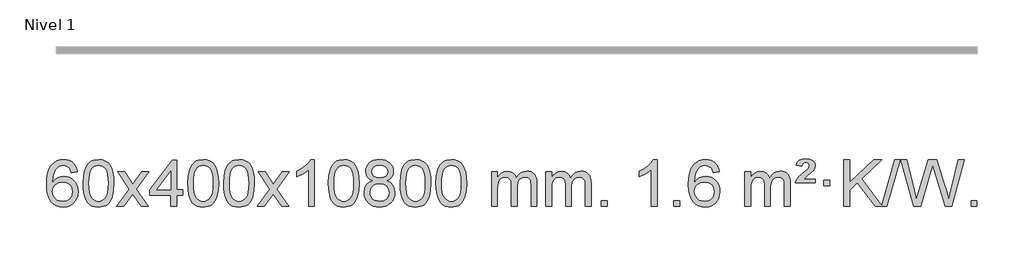
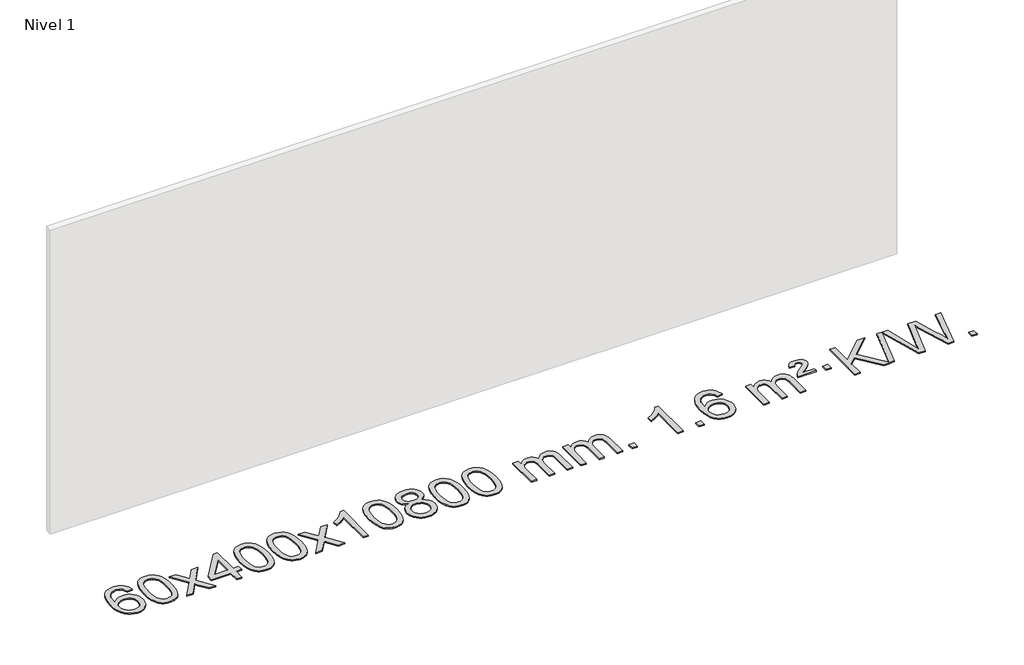
# One storey, part 4 of 21: 1 proxy.
"""IFC4 building model written with IfcOpenShell, lengths in millimetres."""

from ifc_helpers import new_model, si_unit, origin, origin_with_axes, place, context, project, spatial, polyline, outline, extrude, element, save

model = new_model("IFC4")

# Units and contexts
model_context = context("Model", 3, world=origin())
ifc_project = project(units=[si_unit("LENGTHUNIT", "METRE", prefix="MILLI")], contexts=[model_context])

# Site, building, storey
site = spatial("IfcSite", under=ifc_project)
building = spatial("IfcBuilding", under=site)
storey = spatial("IfcBuildingStorey", under=building, Name="Nivel 1", Elevation=0.0)

# Proxy
placement = place(None, origin())
element("IfcBuildingElementProxy", 1, Name="Texto de modelo 1", ObjectType="Texto de modelo 1", at=placement, inside=storey, context=model_context, shape_type="SweptSolid", body=[
    extrude(outline(polyline([(-12852.5741406, -3100.4890419), (-12902.8022957, -3106.7675613), (-12910.8956996, -3081.874213), (-12921.8340576, -3064.8780648), (-12944.6182158, -3049.2062918), (-12972.1603145, -3043.9823675), (-12995.5085585, -3047.0235253), (-13017.4833763, -3056.1469988), (-13036.3557227, -3075.3627017), (-13051.7699783, -3101.8134171), (-13062.1810387, -3139.227016), (-13066.0437997, -3191.3313693), (-13045.8961291, -3167.8237098), (-13021.7508075, -3151.2567573), (-12994.9567355, -3141.434308), (-12966.8628138, -3138.1601582), (-12942.7297549, -3140.398107), (-12920.4606315, -3147.1119534), (-12900.0554435, -3158.3016975), (-12881.5141909, -3173.9673391), (-12866.1060667, -3193.1769106), (-12855.1002637, -3214.9984443), (-12848.4967818, -3239.4319401), (-12846.2956212, -3266.4773982), (-12850.440425, -3302.4439945), (-12862.8748365, -3335.786366), (-12882.568786, -3364.0642287), (-12908.4922039, -3384.8372987), (-12939.4678679, -3397.602804), (-12974.3185556, -3401.8579724), (-13004.2610843, -3399.0375437), (-13031.3034766, -3390.5762579), (-13055.4457325, -3376.4741147), (-13076.6878521, -3356.7311143), (-13094.005897, -3330.5133908), (-13106.3759291, -3296.9870783), (-13113.7979483, -3256.1521768), (-13116.2719548, -3208.0086864), (-13113.5251025, -3154.0342663), (-13105.2845458, -3107.9693092), (-13091.5502847, -3069.8138149), (-13072.3223191, -3039.5677835), (-13051.481804, -3019.5243462), (-13027.3180883, -3005.2076052), (-12999.8311719, -2996.6175606), (-12969.0210548, -2993.7542124), (-12945.8874087, -2995.5261773), (-12924.9487918, -3000.8420722), (-12906.2052042, -3009.7018969), (-12889.6566457, -3022.1056515), (-12875.7507063, -3037.6364031), (-12864.9349757, -3055.8772186), (-12857.2094538, -3076.8280983), (-12852.5741406, -3100.4890419)]), holes=[polyline([(-13066.0437997, -3265.6925832), (-13063.1375319, -3287.9494439), (-13054.4187286, -3309.2007605), (-13040.8806712, -3327.472233), (-13023.516641, -3340.7895612), (-13002.5596301, -3348.9197533), (-12978.2426302, -3351.6298173), (-12945.0964624, -3346.0134855), (-12931.1813259, -3338.9930708), (-12919.0381544, -3329.1644901), (-12909.188114, -3316.9262824), (-12902.1523708, -3302.6769865), (-12896.5237763, -3268.1451299), (-12902.0787944, -3234.9989621), (-12909.0225671, -3221.3781312), (-12918.7438488, -3209.725469), (-12930.9238085, -3200.3904634), (-12945.2436152, -3193.7226022), (-12980.3027693, -3188.3883133), (-13013.3998862, -3193.7226022), (-13041.0768749, -3209.725469), (-13051.9999045, -3221.2248471), (-13059.8020685, -3234.3858254), (-13064.4833669, -3249.2084042), (-13066.0437997, -3265.6925832)])]), origin_with_axes(), (0.0, 0.0, 1.0), 10.0),
    extrude(outline(polyline([(-12802.3459855, -3197.9041943), (-12798.6549029, -3133.5861588), (-12787.5816548, -3082.2911459), (-12769.236606, -3043.2343407), (-12757.378543, -3028.0009605), (-12743.730121, -3015.6309284), (-12728.2453547, -3006.0598651), (-12710.8782588, -2999.2233914), (-12670.4970785, -2993.7542124), (-12639.5459399, -2996.991574), (-12611.832163, -3006.7036586), (-12588.6555973, -3022.5103217), (-12571.3160926, -3044.0314184), (-12558.2194935, -3071.0830078), (-12547.7716449, -3103.4811488), (-12540.9290398, -3144.6226186), (-12538.6481714, -3197.9041943), (-12542.3024659, -3261.8543477), (-12553.2653493, -3313.0267333), (-12571.5000336, -3352.1203266), (-12583.3305054, -3367.3996922), (-12596.9697304, -3379.8341036), (-12612.4728908, -3389.4695462), (-12629.8951689, -3396.3520052), (-12670.4970785, -3401.8579724), (-12698.1618045, -3399.4667394), (-12722.6872709, -3392.2930405), (-12744.0734775, -3380.3368757), (-12762.3204245, -3363.5982449), (-12779.8316074, -3333.3399508), (-12792.3395953, -3295.6381776), (-12799.844388, -3250.4929255), (-12802.3459855, -3197.9041943)]), holes=[polyline([(-12752.1178305, -3197.8060924), (-12750.6463025, -3241.4706195), (-12746.2317185, -3276.8148822), (-12738.8740786, -3303.8388804), (-12728.5733828, -3322.5426142), (-12716.1144459, -3335.2682656), (-12702.2820829, -3344.3580165), (-12687.0762937, -3349.8118671), (-12670.4970785, -3351.6298173), (-12653.9178632, -3349.8057357), (-12638.7120741, -3344.3334911), (-12624.8797111, -3335.2130833), (-12612.4207742, -3322.4445124), (-12602.1200783, -3303.7101217), (-12594.7624384, -3276.6922549), (-12590.3478545, -3241.3909118), (-12588.8763265, -3197.8060924), (-12590.2988035, -3155.2973278), (-12594.5662347, -3120.5753989), (-12601.6786199, -3093.6403055), (-12611.6359592, -3074.4920476), (-12623.8864297, -3061.1440625), (-12637.8782082, -3051.6097875), (-12653.6112949, -3045.8892225), (-12671.0856897, -3043.9823675), (-12687.5790658, -3045.6623619), (-12702.5273375, -3050.7023452), (-12715.9305049, -3059.1023175), (-12727.7885679, -3070.8622786), (-12738.4326203, -3091.708925), (-12746.0355148, -3119.8151094), (-12750.5972516, -3155.1808319), (-12752.1178305, -3197.8060924)])]), origin_with_axes(), (0.0, 0.0, 1.0), 10.0),
    extrude(outline(polyline([(-12513.5340939, -3395.579453), (-12406.2106531, -3247.2494325), (-12507.2555745, -3100.4890419), (-12446.8248254, -3100.4890419), (-12398.0681983, -3171.122385), (-12375.3085655, -3204.4770192), (-12355.5900906, -3177.2047007), (-12300.0644348, -3100.4890419), (-12239.6336857, -3100.4890419), (-12345.7799041, -3247.2494325), (-12243.5577603, -3395.579453), (-12303.9885094, -3395.579453), (-12365.498379, -3306.4048574), (-12376.7800935, -3290.1199477), (-12453.1033448, -3395.579453), (-12513.5340939, -3395.579453)])), origin_with_axes(), (0.0, 0.0, 1.0), 10.0),
    extrude(outline(polyline([(-12048.9236594, -3395.579453), (-12048.9236594, -3301.4016622), (-12231.0007216, -3301.4016622), (-12231.0007216, -3251.1735072), (-12036.3666207, -3000.0327318), (-11998.6955043, -3000.0327318), (-11998.6955043, -3251.1735072), (-11948.4673493, -3251.1735072), (-11948.4673493, -3301.4016622), (-11998.6955043, -3301.4016622), (-11998.6955043, -3395.579453), (-12048.9236594, -3395.579453)]), holes=[polyline([(-12048.9236594, -3251.1735072), (-12048.9236594, -3095.9763561), (-12169.1965464, -3251.1735072), (-12048.9236594, -3251.1735072)])]), origin_with_axes(), (0.0, 0.0, 1.0), 10.0),
    extrude(outline(polyline([(-11904.5177136, -3197.9041943), (-11900.8266309, -3133.5861588), (-11889.7533828, -3082.2911459), (-11871.408334, -3043.2343407), (-11859.550271, -3028.0009605), (-11845.901849, -3015.6309284), (-11830.4170827, -3006.0598651), (-11813.0499869, -2999.2233914), (-11772.6688065, -2993.7542124), (-11741.717668, -2996.991574), (-11714.003891, -3006.7036586), (-11690.8273253, -3022.5103217), (-11673.4878206, -3044.0314184), (-11660.3912216, -3071.0830078), (-11649.9433729, -3103.4811488), (-11643.1007678, -3144.6226186), (-11640.8198994, -3197.9041943), (-11644.4741939, -3261.8543477), (-11655.4370774, -3313.0267333), (-11673.6717616, -3352.1203266), (-11685.5022334, -3367.3996922), (-11699.1414584, -3379.8341036), (-11714.6446188, -3389.4695462), (-11732.066897, -3396.3520052), (-11772.6688065, -3401.8579724), (-11800.3335326, -3399.4667394), (-11824.8589989, -3392.2930405), (-11846.2452055, -3380.3368757), (-11864.4921525, -3363.5982449), (-11882.0033355, -3333.3399508), (-11894.5113233, -3295.6381776), (-11902.016116, -3250.4929255), (-11904.5177136, -3197.9041943)]), holes=[polyline([(-11854.2895585, -3197.8060924), (-11852.8180305, -3241.4706195), (-11848.4034466, -3276.8148822), (-11841.0458067, -3303.8388804), (-11830.7451108, -3322.5426142), (-11818.2861739, -3335.2682656), (-11804.4538109, -3344.3580165), (-11789.2480218, -3349.8118671), (-11772.6688065, -3351.6298173), (-11756.0895913, -3349.8057357), (-11740.8838021, -3344.3334911), (-11727.0514391, -3335.2130833), (-11714.5925022, -3322.4445124), (-11704.2918063, -3303.7101217), (-11696.9341664, -3276.6922549), (-11692.5195825, -3241.3909118), (-11691.0480545, -3197.8060924), (-11692.4705316, -3155.2973278), (-11696.7379627, -3120.5753989), (-11703.8503479, -3093.6403055), (-11713.8076873, -3074.4920476), (-11726.0581577, -3061.1440625), (-11740.0499363, -3051.6097875), (-11755.7830229, -3045.8892225), (-11773.2574177, -3043.9823675), (-11789.7507938, -3045.6623619), (-11804.6990656, -3050.7023452), (-11818.1022329, -3059.1023175), (-11829.9602959, -3070.8622786), (-11840.6043483, -3091.708925), (-11848.2072429, -3119.8151094), (-11852.7689796, -3155.1808319), (-11854.2895585, -3197.8060924)])]), origin_with_axes(), (0.0, 0.0, 1.0), 10.0),
    extrude(outline(polyline([(-11596.8702638, -3197.9041943), (-11593.1791811, -3133.5861588), (-11582.105933, -3082.2911459), (-11563.7608842, -3043.2343407), (-11551.9028212, -3028.0009605), (-11538.2543992, -3015.6309284), (-11522.7696329, -3006.0598651), (-11505.402537, -2999.2233914), (-11465.0213567, -2993.7542124), (-11434.0702182, -2996.991574), (-11406.3564412, -3006.7036586), (-11383.1798755, -3022.5103217), (-11365.8403708, -3044.0314184), (-11352.7437718, -3071.0830078), (-11342.2959231, -3103.4811488), (-11335.453318, -3144.6226186), (-11333.1724496, -3197.9041943), (-11336.8267441, -3261.8543477), (-11347.7896275, -3313.0267333), (-11366.0243118, -3352.1203266), (-11377.8547836, -3367.3996922), (-11391.4940086, -3379.8341036), (-11406.997169, -3389.4695462), (-11424.4194471, -3396.3520052), (-11465.0213567, -3401.8579724), (-11492.6860827, -3399.4667394), (-11517.2115491, -3392.2930405), (-11538.5977557, -3380.3368757), (-11556.8447027, -3363.5982449), (-11574.3558856, -3333.3399508), (-11586.8638735, -3295.6381776), (-11594.3686662, -3250.4929255), (-11596.8702638, -3197.9041943)]), holes=[polyline([(-11546.6421087, -3197.8060924), (-11545.1705807, -3241.4706195), (-11540.7559968, -3276.8148822), (-11533.3983568, -3303.8388804), (-11523.097661, -3322.5426142), (-11510.6387241, -3335.2682656), (-11496.8063611, -3344.3580165), (-11481.6005719, -3349.8118671), (-11465.0213567, -3351.6298173), (-11448.4421414, -3349.8057357), (-11433.2363523, -3344.3334911), (-11419.4039893, -3335.2130833), (-11406.9450524, -3322.4445124), (-11396.6443565, -3303.7101217), (-11389.2867166, -3276.6922549), (-11384.8721327, -3241.3909118), (-11383.4006047, -3197.8060924), (-11384.8230817, -3155.2973278), (-11389.0905129, -3120.5753989), (-11396.2028981, -3093.6403055), (-11406.1602375, -3074.4920476), (-11418.4107079, -3061.1440625), (-11432.4024864, -3051.6097875), (-11448.1355731, -3045.8892225), (-11465.6099679, -3043.9823675), (-11482.103344, -3045.6623619), (-11497.0516157, -3050.7023452), (-11510.4547831, -3059.1023175), (-11522.3128461, -3070.8622786), (-11532.9568985, -3091.708925), (-11540.559793, -3119.8151094), (-11545.1215298, -3155.1808319), (-11546.6421087, -3197.8060924)])]), origin_with_axes(), (0.0, 0.0, 1.0), 10.0),
    extrude(outline(polyline([(-11308.0583721, -3395.579453), (-11200.7349313, -3247.2494325), (-11301.7798527, -3100.4890419), (-11241.3491036, -3100.4890419), (-11192.5924765, -3171.122385), (-11169.8328437, -3204.4770192), (-11150.1143688, -3177.2047007), (-11094.588713, -3100.4890419), (-11034.1579639, -3100.4890419), (-11140.3041823, -3247.2494325), (-11038.0820385, -3395.579453), (-11098.5127876, -3395.579453), (-11160.0226572, -3306.4048574), (-11171.3043717, -3290.1199477), (-11247.627623, -3395.579453), (-11308.0583721, -3395.579453)])), origin_with_axes(), (0.0, 0.0, 1.0), 10.0),
    extrude(outline(polyline([(-10818.3338601, -3395.579453), (-10868.5620152, -3395.579453), (-10868.5620152, -3082.4382987), (-10889.5312889, -3099.3976587), (-10916.1414199, -3116.3324932), (-10969.0183253, -3141.6918254), (-10969.0183253, -3094.2105225), (-10929.5691127, -3072.7507395), (-10895.3928753, -3047.219729), (-10868.4516506, -3020.0700378), (-10850.7074757, -2993.7542124), (-10818.3338601, -2993.7542124), (-10818.3338601, -3395.579453)])), origin_with_axes(), (0.0, 0.0, 1.0), 10.0),
    extrude(outline(polyline([(-10699.0419918, -3197.9041943), (-10695.3509091, -3133.5861588), (-10684.277661, -3082.2911459), (-10665.9326122, -3043.2343407), (-10654.0745492, -3028.0009605), (-10640.4261272, -3015.6309284), (-10624.9413609, -3006.0598651), (-10607.5742651, -2999.2233914), (-10567.1930847, -2993.7542124), (-10536.2419462, -2996.991574), (-10508.5281692, -3006.7036586), (-10485.3516035, -3022.5103217), (-10468.0120988, -3044.0314184), (-10454.9154998, -3071.0830078), (-10444.4676511, -3103.4811488), (-10437.625046, -3144.6226186), (-10435.3441776, -3197.9041943), (-10438.9984721, -3261.8543477), (-10449.9613556, -3313.0267333), (-10468.1960398, -3352.1203266), (-10480.0265116, -3367.3996922), (-10493.6657366, -3379.8341036), (-10509.168897, -3389.4695462), (-10526.5911752, -3396.3520052), (-10567.1930847, -3401.8579724), (-10594.8578108, -3399.4667394), (-10619.3832771, -3392.2930405), (-10640.7694838, -3380.3368757), (-10659.0164307, -3363.5982449), (-10676.5276137, -3333.3399508), (-10689.0356015, -3295.6381776), (-10696.5403942, -3250.4929255), (-10699.0419918, -3197.9041943)]), holes=[polyline([(-10648.8138367, -3197.8060924), (-10647.3423087, -3241.4706195), (-10642.9277248, -3276.8148822), (-10635.5700849, -3303.8388804), (-10625.269389, -3322.5426142), (-10612.8104521, -3335.2682656), (-10598.9780891, -3344.3580165), (-10583.7723, -3349.8118671), (-10567.1930847, -3351.6298173), (-10550.6138695, -3349.8057357), (-10535.4080803, -3344.3334911), (-10521.5757173, -3335.2130833), (-10509.1167804, -3322.4445124), (-10498.8160845, -3303.7101217), (-10491.4584446, -3276.6922549), (-10487.0438607, -3241.3909118), (-10485.5723327, -3197.8060924), (-10486.9948098, -3155.2973278), (-10491.2622409, -3120.5753989), (-10498.3746262, -3093.6403055), (-10508.3319655, -3074.4920476), (-10520.5824359, -3061.1440625), (-10534.5742145, -3051.6097875), (-10550.3073011, -3045.8892225), (-10567.7816959, -3043.9823675), (-10584.275072, -3045.6623619), (-10599.2233438, -3050.7023452), (-10612.6265111, -3059.1023175), (-10624.4845741, -3070.8622786), (-10635.1286265, -3091.708925), (-10642.7315211, -3119.8151094), (-10647.2932578, -3155.1808319), (-10648.8138367, -3197.8060924)])]), origin_with_axes(), (0.0, 0.0, 1.0), 10.0),
    extrude(outline(polyline([(-10318.2105504, -3174.2616447), (-10345.1027242, -3161.0178929), (-10363.9750706, -3143.0652515), (-10375.121895, -3120.7716026), (-10378.8375032, -3094.5048281), (-10376.8141522, -3074.0199324), (-10370.7440993, -3055.2395565), (-10360.6273444, -3038.1637006), (-10346.4638876, -3022.7923645), (-10328.9343105, -3010.088173), (-10308.7191949, -3001.0137504), (-10285.8185407, -2995.5690969), (-10260.2323479, -2993.7542124), (-10234.5235278, -2995.6120165), (-10211.4511954, -3001.1854287), (-10191.0153505, -3010.4744491), (-10173.2159933, -3023.4790776), (-10158.7950191, -3039.1508506), (-10148.4943233, -3056.4413044), (-10142.3139058, -3075.3504389), (-10140.2537666, -3095.8782543), (-10143.9203238, -3121.2989001), (-10154.9199955, -3143.2124043), (-10173.3754089, -3161.0546811), (-10199.4091914, -3174.2616447), (-10168.4948411, -3190.1909351), (-10145.9927257, -3213.6495436), (-10132.2707273, -3243.5092989), (-10127.6967278, -3278.6420295), (-10129.9653334, -3303.6947933), (-10136.7711504, -3326.6628926), (-10148.1141785, -3347.5463272), (-10163.994418, -3366.3450971), (-10183.5780029, -3381.88198), (-10206.0310673, -3392.9797536), (-10231.3536113, -3399.6384177), (-10259.5456349, -3401.8579724), (-10287.7376584, -3399.6292206), (-10313.0602024, -3392.9429654), (-10335.5132669, -3381.7992066), (-10355.0968518, -3366.1979443), (-10370.9770912, -3347.26735), (-10382.3201194, -3326.135595), (-10389.1259363, -3302.8026795), (-10391.394542, -3277.2686033), (-10386.6366015, -3240.7747094), (-10372.3627801, -3210.7555386), (-10349.3088417, -3188.2411605), (-10318.2105504, -3174.2616447)]), holes=[polyline([(-10341.1663869, -3275.5027698), (-10339.0694595, -3294.7184726), (-10332.7786774, -3313.3210389), (-10321.1658691, -3329.5446349), (-10303.1028631, -3341.623427), (-10281.4714018, -3349.1282197), (-10259.1532274, -3351.6298173), (-10224.9647273, -3346.3691048), (-10211.0710507, -3339.7932141), (-10199.3110895, -3330.5869672), (-10183.2714346, -3306.6869002), (-10177.9248829, -3277.0723996), (-10183.4431128, -3246.9551269), (-10199.9978026, -3222.5277625), (-10212.0765948, -3213.0854579), (-10226.2400516, -3206.3409547), (-10260.8209591, -3200.9453521), (-10294.5312126, -3206.2673783), (-10308.2685395, -3212.919911), (-10319.927333, -3222.2334569), (-10335.8566234, -3246.1948375), (-10341.1663869, -3275.5027698)]), polyline([(-10328.6093481, -3095.9763561), (-10324.157976, -3117.902123), (-10310.8038595, -3135.413306), (-10288.9394063, -3146.8912243), (-10258.9570237, -3150.717197), (-10229.6736169, -3146.9157497), (-10208.1402574, -3135.5114079), (-10194.8965056, -3118.5888361), (-10190.4819217, -3098.232699), (-10195.0436584, -3077.1040098), (-10208.7288686, -3059.629615), (-10230.5565337, -3047.8941794), (-10259.5456349, -3043.9823675), (-10288.7186771, -3047.8083402), (-10310.5095539, -3059.2862585), (-10324.0843996, -3076.1107284), (-10328.6093481, -3095.9763561)])]), origin_with_axes(), (0.0, 0.0, 1.0), 10.0),
    extrude(outline(polyline([(-10083.7470921, -3197.9041943), (-10080.0560094, -3133.5861588), (-10068.9827614, -3082.2911459), (-10050.6377126, -3043.2343407), (-10038.7796496, -3028.0009605), (-10025.1312276, -3015.6309284), (-10009.6464612, -3006.0598651), (-9992.2793654, -2999.2233914), (-9951.8981851, -2993.7542124), (-9920.9470465, -2996.991574), (-9893.2332696, -3006.7036586), (-9870.0567039, -3022.5103217), (-9852.7171992, -3044.0314184), (-9839.6206001, -3071.0830078), (-9829.1727515, -3103.4811488), (-9822.3301463, -3144.6226186), (-9820.049278, -3197.9041943), (-9823.7035725, -3261.8543477), (-9834.6664559, -3313.0267333), (-9852.9011401, -3352.1203266), (-9864.731612, -3367.3996922), (-9878.3708369, -3379.8341036), (-9893.8739974, -3389.4695462), (-9911.2962755, -3396.3520052), (-9951.8981851, -3401.8579724), (-9979.5629111, -3399.4667394), (-10004.0883774, -3392.2930405), (-10025.4745841, -3380.3368757), (-10043.721531, -3363.5982449), (-10061.232714, -3333.3399508), (-10073.7407019, -3295.6381776), (-10081.2454946, -3250.4929255), (-10083.7470921, -3197.9041943)]), holes=[polyline([(-10033.518937, -3197.8060924), (-10032.0474091, -3241.4706195), (-10027.6328251, -3276.8148822), (-10020.2751852, -3303.8388804), (-10009.9744894, -3322.5426142), (-9997.5155525, -3335.2682656), (-9983.6831894, -3344.3580165), (-9968.4774003, -3349.8118671), (-9951.8981851, -3351.6298173), (-9935.3189698, -3349.8057357), (-9920.1131807, -3344.3334911), (-9906.2808176, -3335.2130833), (-9893.8218807, -3322.4445124), (-9883.5211849, -3303.7101217), (-9876.163545, -3276.6922549), (-9871.748961, -3241.3909118), (-9870.2774331, -3197.8060924), (-9871.6999101, -3155.2973278), (-9875.9673412, -3120.5753989), (-9883.0797265, -3093.6403055), (-9893.0370658, -3074.4920476), (-9905.2875363, -3061.1440625), (-9919.2793148, -3051.6097875), (-9935.0124015, -3045.8892225), (-9952.4867962, -3043.9823675), (-9968.9801724, -3045.6623619), (-9983.9284441, -3050.7023452), (-9997.3316115, -3059.1023175), (-10009.1896744, -3070.8622786), (-10019.8337268, -3091.708925), (-10027.4366214, -3119.8151094), (-10031.9983581, -3155.1808319), (-10033.518937, -3197.8060924)])]), origin_with_axes(), (0.0, 0.0, 1.0), 10.0),
    extrude(outline(polyline([(-9776.0996423, -3197.9041943), (-9772.4085596, -3133.5861588), (-9761.3353115, -3082.2911459), (-9742.9902627, -3043.2343407), (-9731.1321997, -3028.0009605), (-9717.4837777, -3015.6309284), (-9701.9990114, -3006.0598651), (-9684.6319156, -2999.2233914), (-9644.2507352, -2993.7542124), (-9613.2995967, -2996.991574), (-9585.5858197, -3006.7036586), (-9562.409254, -3022.5103217), (-9545.0697493, -3044.0314184), (-9531.9731503, -3071.0830078), (-9521.5253016, -3103.4811488), (-9514.6826965, -3144.6226186), (-9512.4018281, -3197.9041943), (-9516.0561226, -3261.8543477), (-9527.0190061, -3313.0267333), (-9545.2536903, -3352.1203266), (-9557.0841621, -3367.3996922), (-9570.7233871, -3379.8341036), (-9586.2265475, -3389.4695462), (-9603.6488257, -3396.3520052), (-9644.2507352, -3401.8579724), (-9671.9154613, -3399.4667394), (-9696.4409276, -3392.2930405), (-9717.8271343, -3380.3368757), (-9736.0740812, -3363.5982449), (-9753.5852642, -3333.3399508), (-9766.093252, -3295.6381776), (-9773.5980447, -3250.4929255), (-9776.0996423, -3197.9041943)]), holes=[polyline([(-9725.8714872, -3197.8060924), (-9724.3999592, -3241.4706195), (-9719.9853753, -3276.8148822), (-9712.6277354, -3303.8388804), (-9702.3270395, -3322.5426142), (-9689.8681026, -3335.2682656), (-9676.0357396, -3344.3580165), (-9660.8299505, -3349.8118671), (-9644.2507352, -3351.6298173), (-9627.67152, -3349.8057357), (-9612.4657308, -3344.3334911), (-9598.6333678, -3335.2130833), (-9586.1744309, -3322.4445124), (-9575.873735, -3303.7101217), (-9568.5160951, -3276.6922549), (-9564.1015112, -3241.3909118), (-9562.6299832, -3197.8060924), (-9564.0524603, -3155.2973278), (-9568.3198914, -3120.5753989), (-9575.4322767, -3093.6403055), (-9585.389616, -3074.4920476), (-9597.6400864, -3061.1440625), (-9611.631865, -3051.6097875), (-9627.3649516, -3045.8892225), (-9644.8393464, -3043.9823675), (-9661.3327225, -3045.6623619), (-9676.2809943, -3050.7023452), (-9689.6841616, -3059.1023175), (-9701.5422246, -3070.8622786), (-9712.186277, -3091.708925), (-9719.7891716, -3119.8151094), (-9724.3509083, -3155.1808319), (-9725.8714872, -3197.8060924)])]), origin_with_axes(), (0.0, 0.0, 1.0), 10.0),
    extrude(outline(polyline([(-9298.9321691, -3395.579453), (-9298.9321691, -3100.4890419), (-9248.704014, -3100.4890419), (-9248.704014, -3149.0494653), (-9233.5963267, -3126.7435537), (-9214.1721574, -3109.2691589), (-9191.0936936, -3097.9751816), (-9165.0231228, -3094.2105225), (-9137.0886167, -3098.048758), (-9114.6968659, -3109.5634645), (-9097.9704978, -3127.9943524), (-9087.0321399, -3152.5811324), (-9068.7238792, -3127.0439906), (-9047.8404446, -3108.803175), (-9024.3818361, -3097.8586857), (-8998.3480536, -3094.2105225), (-8978.2402368, -3095.7280358), (-8960.5910981, -3100.2805755), (-8945.4006374, -3107.8681416), (-8932.6688547, -3118.4907342), (-8922.6042164, -3132.2709806), (-8915.4151891, -3149.3315082), (-8911.1017727, -3169.6723168), (-8909.6639672, -3193.2934066), (-8909.6639672, -3395.579453), (-8959.8921223, -3395.579453), (-8959.8921223, -3214.875817), (-8961.057082, -3189.8230531), (-8964.5519609, -3172.9372695), (-8971.1002604, -3161.3735121), (-8981.4254818, -3152.2868268), (-8994.7060218, -3146.4007149), (-9010.1202774, -3144.4386776), (-9037.3312823, -3149.4663982), (-9059.5145666, -3164.54956), (-9068.1199396, -3176.1194488), (-9074.2666346, -3190.7182326), (-9079.1839906, -3229.0024856), (-9079.1839906, -3395.579453), (-9129.4121457, -3395.579453), (-9129.4121457, -3209.2840106), (-9132.3184135, -3180.8835206), (-9141.0372167, -3160.6254854), (-9156.3778959, -3148.4853796), (-9179.1497914, -3144.4386776), (-9198.5003844, -3147.1364789), (-9216.3303984, -3155.2298828), (-9231.0456782, -3168.5226856), (-9241.0520685, -3186.8186835), (-9246.7910276, -3212.2025411), (-9248.704014, -3246.7589232), (-9248.704014, -3395.579453), (-9298.9321691, -3395.579453)])), origin_with_axes(), (0.0, 0.0, 1.0), 10.0),
    extrude(outline(polyline([(-8834.3217346, -3395.579453), (-8834.3217346, -3100.4890419), (-8784.0935796, -3100.4890419), (-8784.0935796, -3149.0494653), (-8768.9858923, -3126.7435537), (-8749.5617229, -3109.2691589), (-8726.4832591, -3097.9751816), (-8700.4126884, -3094.2105225), (-8672.4781822, -3098.048758), (-8650.0864315, -3109.5634645), (-8633.3600634, -3127.9943524), (-8622.4217054, -3152.5811324), (-8604.1134448, -3127.0439906), (-8583.2300102, -3108.803175), (-8559.7714016, -3097.8586857), (-8533.7376191, -3094.2105225), (-8513.6298024, -3095.7280358), (-8495.9806637, -3100.2805755), (-8480.790203, -3107.8681416), (-8468.0584202, -3118.4907342), (-8457.993782, -3132.2709806), (-8450.8047547, -3149.3315082), (-8446.4913383, -3169.6723168), (-8445.0535328, -3193.2934066), (-8445.0535328, -3395.579453), (-8495.2816879, -3395.579453), (-8495.2816879, -3214.875817), (-8496.4466475, -3189.8230531), (-8499.9415265, -3172.9372695), (-8506.489826, -3161.3735121), (-8516.8150473, -3152.2868268), (-8530.0955874, -3146.4007149), (-8545.509843, -3144.4386776), (-8572.7208479, -3149.4663982), (-8594.9041322, -3164.54956), (-8603.5095052, -3176.1194488), (-8609.6562002, -3190.7182326), (-8614.5735562, -3229.0024856), (-8614.5735562, -3395.579453), (-8664.8017113, -3395.579453), (-8664.8017113, -3209.2840106), (-8667.707979, -3180.8835206), (-8676.4267823, -3160.6254854), (-8691.7674615, -3148.4853796), (-8714.539357, -3144.4386776), (-8733.88995, -3147.1364789), (-8751.719964, -3155.2298828), (-8766.4352438, -3168.5226856), (-8776.4416341, -3186.8186835), (-8782.1805932, -3212.2025411), (-8784.0935796, -3246.7589232), (-8784.0935796, -3395.579453), (-8834.3217346, -3395.579453)])), origin_with_axes(), (0.0, 0.0, 1.0), 10.0),
    extrude(outline(polyline([(-8357.1542614, -3395.579453), (-8357.1542614, -3345.3512979), (-8306.9261064, -3345.3512979), (-8306.9261064, -3395.579453), (-8357.1542614, -3395.579453)])), origin_with_axes(), (0.0, 0.0, 1.0), 10.0),
    extrude(outline(polyline([(-7879.9867882, -3395.579453), (-7930.2149433, -3395.579453), (-7930.2149433, -3082.4382987), (-7951.184217, -3099.3976587), (-7977.794348, -3116.3324932), (-8030.6712534, -3141.6918254), (-8030.6712534, -3094.2105225), (-7991.2220408, -3072.7507395), (-7957.0458035, -3047.219729), (-7930.1045787, -3020.0700378), (-7912.3604038, -2993.7542124), (-7879.9867882, -2993.7542124), (-7879.9867882, -3395.579453)])), origin_with_axes(), (0.0, 0.0, 1.0), 10.0),
    extrude(outline(polyline([(-7735.5808424, -3395.579453), (-7735.5808424, -3345.3512979), (-7685.3526873, -3345.3512979), (-7685.3526873, -3395.579453), (-7735.5808424, -3395.579453)])), origin_with_axes(), (0.0, 0.0, 1.0), 10.0),
    extrude(outline(polyline([(-7346.3126405, -3100.4890419), (-7396.5407956, -3106.7675613), (-7404.6341995, -3081.874213), (-7415.5725575, -3064.8780648), (-7438.3567157, -3049.2062918), (-7465.8988144, -3043.9823675), (-7489.2470584, -3047.0235253), (-7511.2218763, -3056.1469988), (-7530.0942226, -3075.3627017), (-7545.5084782, -3101.8134171), (-7555.9195387, -3139.227016), (-7559.7822996, -3191.3313693), (-7539.634629, -3167.8237098), (-7515.4893074, -3151.2567573), (-7488.6952354, -3141.434308), (-7460.6013137, -3138.1601582), (-7436.4682548, -3140.398107), (-7414.1991314, -3147.1119534), (-7393.7939434, -3158.3016975), (-7375.2526908, -3173.9673391), (-7359.8445666, -3193.1769106), (-7348.8387636, -3214.9984443), (-7342.2352818, -3239.4319401), (-7340.0341212, -3266.4773982), (-7344.178925, -3302.4439945), (-7356.6133364, -3335.786366), (-7376.3072859, -3364.0642287), (-7402.2307038, -3384.8372987), (-7433.2063678, -3397.602804), (-7468.0570555, -3401.8579724), (-7497.9995842, -3399.0375437), (-7525.0419765, -3390.5762579), (-7549.1842325, -3376.4741147), (-7570.426352, -3356.7311143), (-7587.7443969, -3330.5133908), (-7600.114429, -3296.9870783), (-7607.5364483, -3256.1521768), (-7610.0104547, -3208.0086864), (-7607.2636025, -3154.0342663), (-7599.0230458, -3107.9693092), (-7585.2887846, -3069.8138149), (-7566.060819, -3039.5677835), (-7545.220304, -3019.5243462), (-7521.0565883, -3005.2076052), (-7493.5696718, -2996.6175606), (-7462.7595548, -2993.7542124), (-7439.6259086, -2995.5261773), (-7418.6872917, -3000.8420722), (-7399.9437041, -3009.7018969), (-7383.3951457, -3022.1056515), (-7369.4892062, -3037.6364031), (-7358.6734756, -3055.8772186), (-7350.9479537, -3076.8280983), (-7346.3126405, -3100.4890419)]), holes=[polyline([(-7559.7822996, -3265.6925832), (-7556.8760319, -3287.9494439), (-7548.1572286, -3309.2007605), (-7534.6191711, -3327.472233), (-7517.255141, -3340.7895612), (-7496.29813, -3348.9197533), (-7471.9811301, -3351.6298173), (-7438.8349623, -3346.0134855), (-7424.9198259, -3338.9930708), (-7412.7766543, -3329.1644901), (-7402.9266139, -3316.9262824), (-7395.8908708, -3302.6769865), (-7390.2622762, -3268.1451299), (-7395.8172944, -3234.9989621), (-7402.761067, -3221.3781312), (-7412.4823487, -3209.725469), (-7424.6623085, -3200.3904634), (-7438.9821151, -3193.7226022), (-7474.0412693, -3188.3883133), (-7507.1383861, -3193.7226022), (-7534.8153749, -3209.725469), (-7545.7384044, -3221.2248471), (-7553.5405684, -3234.3858254), (-7558.2218668, -3249.2084042), (-7559.7822996, -3265.6925832)])]), origin_with_axes(), (0.0, 0.0, 1.0), 10.0),
    extrude(outline(polyline([(-7126.5644621, -3395.579453), (-7126.5644621, -3100.4890419), (-7076.336307, -3100.4890419), (-7076.336307, -3149.0494653), (-7061.2286197, -3126.7435537), (-7041.8044504, -3109.2691589), (-7018.7259866, -3097.9751816), (-6992.6554158, -3094.2105225), (-6964.7209097, -3098.048758), (-6942.3291589, -3109.5634645), (-6925.6027909, -3127.9943524), (-6914.6644329, -3152.5811324), (-6896.3561722, -3127.0439906), (-6875.4727377, -3108.803175), (-6852.0141291, -3097.8586857), (-6825.9803466, -3094.2105225), (-6805.8725298, -3095.7280358), (-6788.2233911, -3100.2805755), (-6773.0329304, -3107.8681416), (-6760.3011477, -3118.4907342), (-6750.2365094, -3132.2709806), (-6743.0474821, -3149.3315082), (-6738.7340657, -3169.6723168), (-6737.2962603, -3193.2934066), (-6737.2962603, -3395.579453), (-6787.5244153, -3395.579453), (-6787.5244153, -3214.875817), (-6788.689375, -3189.8230531), (-6792.1842539, -3172.9372695), (-6798.7325535, -3161.3735121), (-6809.0577748, -3152.2868268), (-6822.3383148, -3146.4007149), (-6837.7525704, -3144.4386776), (-6864.9635753, -3149.4663982), (-6887.1468596, -3164.54956), (-6895.7522326, -3176.1194488), (-6901.8989276, -3190.7182326), (-6906.8162836, -3229.0024856), (-6906.8162836, -3395.579453), (-6957.0444387, -3395.579453), (-6957.0444387, -3209.2840106), (-6959.9507065, -3180.8835206), (-6968.6695098, -3160.6254854), (-6984.010189, -3148.4853796), (-7006.7820845, -3144.4386776), (-7026.1326774, -3147.1364789), (-7043.9626914, -3155.2298828), (-7058.6779713, -3168.5226856), (-7068.6843615, -3186.8186835), (-7074.4233206, -3212.2025411), (-7076.336307, -3246.7589232), (-7076.336307, -3395.579453), (-7126.5644621, -3395.579453)])), origin_with_axes(), (0.0, 0.0, 1.0), 10.0),
    extrude(outline(polyline([(-6693.3466246, -3194.6668327), (-6689.5206518, -3178.8479069), (-6681.1819933, -3162.9799302), (-6659.6731593, -3137.8413272), (-6627.7164766, -3110.1030247), (-6583.5706372, -3072.726214), (-6576.4337265, -3061.1992448), (-6574.0547563, -3049.3779701), (-6575.9432172, -3037.2869152), (-6581.6085999, -3027.5012541), (-6590.977328, -3021.026531), (-6603.9758252, -3018.8682899), (-6616.4102366, -3020.4869707), (-6625.26393, -3025.343013), (-6631.6896022, -3034.8098431), (-6636.8399501, -3050.2608869), (-6687.0681052, -3043.9823675), (-6676.2278491, -3018.7701881), (-6659.5995829, -3001.2099542), (-6635.834406, -2990.9092583), (-6603.5834178, -2987.475693), (-6567.8007624, -2991.6082341), (-6543.0545668, -3004.0058573), (-6528.6335926, -3022.3386434), (-6523.8266012, -3044.2766731), (-6527.9223541, -3067.1834586), (-6540.2096127, -3088.8149199), (-6560.737428, -3108.6314968), (-6597.2067965, -3136.6886303), (-6622.8113834, -3163.2742358), (-6523.8266012, -3163.2742358), (-6523.8266012, -3194.6668327), (-6693.3466246, -3194.6668327)])), origin_with_axes(), (0.0, 0.0, 1.0), 10.0),
    extrude(outline(polyline([(-6448.4843686, -3219.7809102), (-6448.4843686, -3169.5527552), (-6398.2562135, -3169.5527552), (-6398.2562135, -3219.7809102), (-6448.4843686, -3219.7809102)])), origin_with_axes(), (0.0, 0.0, 1.0), 10.0),
    extrude(outline(polyline([(-6007.6145856, -3395.579453), (-6161.045903, -3192.9009991), (-6228.7361901, -3257.4520265), (-6228.7361901, -3395.579453), (-6278.9643452, -3395.579453), (-6278.9643452, -2993.7542124), (-6228.7361901, -2993.7542124), (-6228.7361901, -3190.4484525), (-6022.7222728, -2993.7542124), (-5952.4813372, -2993.7542124), (-6125.4349259, -3158.9577537), (-5950.781316, -3389.5349332), (-5839.4679883, -2993.7542124), (-5794.1449265, -2993.7542124), (-5907.1582754, -3395.579453), (-5946.2028178, -3395.579453), (-5952.4813372, -3395.579453), (-6007.6145856, -3395.579453)])), origin_with_axes(), (0.0, 0.0, 1.0), 10.0),
    extrude(outline(polyline([(-5679.6600496, -3395.579453), (-5789.2398332, -2993.7542124), (-5737.4420483, -2993.7542124), (-5673.8720395, -3257.844434), (-5654.2516665, -3339.3670841), (-5633.2578673, -3267.2622131), (-5553.5991526, -2993.7542124), (-5478.943633, -2993.7542124), (-5421.0635325, -3192.0180823), (-5396.268286, -3265.5944814), (-5377.9968136, -3339.3670841), (-5358.9650517, -3260.1988788), (-5294.8064317, -2993.7542124), (-5243.0086468, -2993.7542124), (-5352.6865323, -3395.579453), (-5406.3482526, -3395.579453), (-5502.6842845, -3085.5775584), (-5516.12424, -3042.3146358), (-5531.2319273, -3094.4067263), (-5619.0330968, -3395.579453), (-5679.6600496, -3395.579453)])), origin_with_axes(), (0.0, 0.0, 1.0), 10.0),
    extrude(outline(polyline([(-5186.5019723, -3395.579453), (-5186.5019723, -3345.3512979), (-5136.2738173, -3345.3512979), (-5136.2738173, -3395.579453), (-5186.5019723, -3395.579453)])), origin_with_axes(), (0.0, 0.0, 1.0), 10.0),
])

save(model, "model.ifc")
